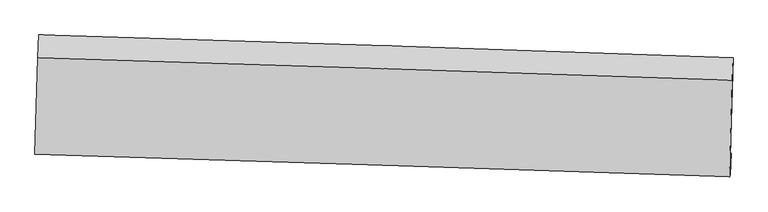
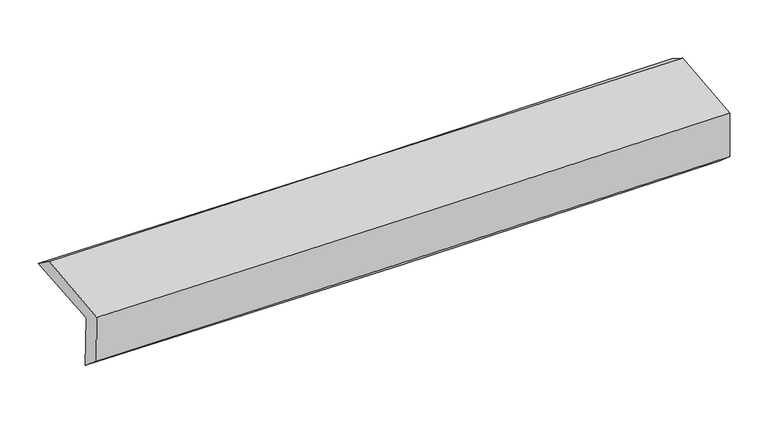
"""IFC4 building model written with IfcOpenShell, lengths in millimetres: proxy geometry."""

from ifc_helpers import new_model, si_unit, frame, origin, place, context, project, spatial, source, transform, mapped, element, save
from ifc_brep_helpers import plane_surface, spline_curve, spline_surface, advanced_brep


def generic_models_2ed6390f(model_context):
    return source(origin(), model_context, "Body", "AdvancedBrep", [
        advanced_brep(
        [(-2394.9771888, -1728.0738307, 1994.521171), (-2375.8204909, -1059.1069778, 2020.7510026), (2381.7758381, -1213.9916368, 2109.2409277), (2362.9352957, -1873.5286505, 2086.55821), (-2389.10111, -1706.1100479, 1594.5602413), (2368.3541354, -1870.0779982, 1680.4258504), (-2395.3678743, -1863.7085653, 1722.3469224), (2362.464263, -2015.5510921, 1807.8479974), (-2400.5997865, -1877.8935459, 2090.4216999), (2357.3133265, -2029.5165278, 2170.2259794), (-2381.8848486, -1215.6551691, 2135.414811), (2375.9901192, -1369.1424602, 2207.2671371)],
        [
            (0, 1),
            (1, 2, spline_curve(3, [(-2375.8204909, -1059.1069778, 2020.7510026), (-1579.306311742, -1082.991645835, 2022.728944866), (-782.929412409, -1107.899131002, 2031.14960734), (802.933758712, -1159.544277637, 2060.752871104), (1592.422302508, -1186.265012013, 2081.828850404), (2381.7758381, -1213.9916368, 2109.2409277)], [4, 2, 4], [0.0, 7.842865827253065, 15.620564170306434])),
            (2, 3),
            (3, 0, spline_curve(3, [(2362.9352957, -1873.5286505, 2086.55821), (1573.453412011, -1850.511205062, 2057.375430011), (783.874299625, -1826.934160245, 2035.117274459), (-802.094892431, -1778.458636957, 2004.321735729), (-1598.486608303, -1753.550741931, 1995.900878283), (-2394.9771888, -1728.0738307, 1994.521171)], [4, 2, 4], [0.0, 7.777698343053369, 15.620564170306434])),
            (4, 0),
            (3, 5),
            (5, 4, spline_curve(3, [(2368.3541354, -1870.0779982, 1680.4258504), (1579.096693773, -1837.83020022, 1654.567572712), (789.668056614, -1808.08880992, 1634.488606621), (-796.147477575, -1753.39064944, 1605.769484176), (-1592.53725563, -1728.476056336, 1597.226580489), (-2389.10111, -1706.1100479, 1594.5602413)], [4, 2, 4], [0.0, 7.777763435756324, 15.620694901108617])),
            (6, 4),
            (5, 7),
            (7, 6, spline_curve(3, [(2362.464263, -2015.5510921, 1807.8479974), (1572.892180879, -1989.715229298, 1791.549411153), (783.274421058, -1964.195220247, 1776.300356815), (-802.66885595, -1913.575729329, 1747.782337364), (-1598.995141977, -1888.481562956, 1734.53103343), (-2395.3678743, -1863.7085653, 1722.3469224)], [4, 2, 4], [0.0, 7.777614164639424, 15.620395108167639])),
            (8, 6),
            (7, 9),
            (9, 8, spline_curve(3, [(2357.3133265, -2029.5165278, 2170.2259794), (1567.748416641, -2003.661218986, 2153.422807294), (778.127566044, -1978.149589466, 2138.391187626), (-807.842530022, -1927.602812063, 2111.759950024), (-1604.192717304, -1902.573447796, 2100.190143169), (-2400.5997865, -1877.8935459, 2090.4216999)], [4, 2, 4], [0.0, 7.777484289097273, 15.620134268887064])),
            (10, 8),
            (9, 11),
            (11, 10, spline_curve(3, [(2375.9901192, -1369.1424602, 2207.2671371), (1586.366777006, -1342.486216661, 2197.827403917), (796.719740859, -1316.4183833, 2187.150008864), (-789.238183257, -1265.246051477, 2163.220060303), (-1585.549469393, -1240.151454325, 2149.946680208), (-2381.8848486, -1215.6551691, 2135.414811)], [4, 2, 4], [0.0, 7.777365400572058, 15.619895495697964])),
            (1, 10),
            (11, 2),
        ],
        [
            spline_surface(3, 3, [[(-2394.9771888, -1728.0738307, 1994.521171), (-1598.486608246, -1753.550741844, 1995.900878388), (-802.09489241, -1778.458637034, 2004.321735738), (783.874299604, -1826.934160168, 2035.117274451), (1573.453411967, -1850.511204943, 2057.375430061), (2362.9352957, -1873.5286505, 2086.55821)], [(-2388.591622829, -1505.084879717, 2003.264448202), (-1592.093176068, -1530.031043154, 2004.843567197), (-795.706399064, -1554.938801722, 2013.264359608), (790.227452649, -1604.470865994, 2043.662473371), (1579.776375454, -1629.095807317, 2065.526570155), (2369.215476504, -1653.682979295, 2094.119115906)], [(-2382.206056871, -1282.095928783, 2012.007725398), (-1585.699743902, -1306.511344515, 2013.786256001), (-789.317905749, -1331.418966358, 2022.206983421), (796.58060566, -1382.007571768, 2052.207672233), (1586.099338927, -1407.680409605, 2073.677710229), (2375.495657296, -1433.837308005, 2101.680021794)], [(-2375.8204909, -1059.1069778, 2020.7510026), (-1579.306311724, -1082.991645825, 2022.72894481), (-782.929412402, -1107.899131047, 2031.149607291), (802.933758705, -1159.544277593, 2060.752871152), (1592.422302414, -1186.265011979, 2081.828850322), (2381.7758381, -1213.9916368, 2109.2409277)]], [4, 4], [4, 2, 4], [0.0, 2.197424147663706], [0.0, 7.842865827253065, 15.620564170306434]),
            spline_surface(3, 3, [[(-2389.10111, -1706.1100479, 1594.5602413), (-1592.53725567, -1728.476056273, 1597.226580598), (-796.147477636, -1753.390649389, 1605.769484207), (789.668056675, -1808.088809971, 1634.488606589), (1579.096693758, -1837.830200283, 1654.567572683), (2368.3541354, -1870.0779982, 1680.4258504)], [(-2391.059802938, -1713.431308846, 1727.880551182), (-1594.5203732, -1736.83428481, 1730.118013177), (-798.129949233, -1761.746645247, 1738.620234713), (787.736804312, -1814.370593346, 1768.031495871), (1577.215599799, -1842.057201831, 1788.836858479), (2366.547855471, -1871.228215628, 1815.803303603)], [(-2393.018495862, -1720.752569754, 1861.200861118), (-1596.503490716, -1745.192513307, 1863.009445809), (-800.112420813, -1770.102641176, 1871.470985233), (785.805551967, -1820.652376793, 1901.574385168), (1575.334505926, -1846.284203395, 1923.106144265), (2364.741575629, -1872.378433072, 1951.180756797)], [(-2394.9771888, -1728.0738307, 1994.521171), (-1598.486608246, -1753.550741844, 1995.900878388), (-802.09489241, -1778.458637034, 2004.321735738), (783.874299604, -1826.934160168, 2035.117274451), (1573.453411967, -1850.511204943, 2057.375430061), (2362.9352957, -1873.5286505, 2086.55821)]], [4, 4], [4, 2, 4], [0.0, 1.3130877148393532], [0.0, 7.842931465352294, 15.620694901108617]),
            spline_surface(3, 3, [[(-2395.3678743, -1863.7085653, 1722.3469224), (-1598.995142007, -1888.481562974, 1734.531033344), (-802.668855992, -1913.575729438, 1747.782337301), (783.274421101, -1964.195220139, 1776.300356877), (1572.892180896, -1989.715229271, 1791.549411239), (2362.464263, -2015.5510921, 1807.8479974)], [(-2393.278952867, -1811.175726145, 1679.751362053), (-1596.842513228, -1835.146394052, 1688.762882448), (-800.495063183, -1860.180702773, 1700.444719614), (785.405632982, -1912.159750102, 1729.029773458), (1574.96035188, -1939.086886254, 1745.888798398), (2364.42755383, -1967.060060779, 1765.373948412)], [(-2391.190031433, -1758.642887055, 1637.155801647), (-1594.689884449, -1781.811225195, 1642.994731494), (-798.321270445, -1806.785676053, 1653.107101895), (787.536844793, -1860.124280008, 1681.759190008), (1577.028522775, -1888.4585433, 1700.228185523), (2366.39084457, -1918.569029521, 1722.899899388)], [(-2389.10111, -1706.1100479, 1594.5602413), (-1592.53725567, -1728.476056273, 1597.226580598), (-796.147477636, -1753.390649389, 1605.769484207), (789.668056675, -1808.088809971, 1634.488606589), (1579.096693758, -1837.830200283, 1654.567572683), (2368.3541354, -1870.0779982, 1680.4258504)]], [4, 4], [4, 2, 4], [0.0, 0.6974883319439747], [0.0, 7.842780943528215, 15.620395108167639]),
            spline_surface(3, 3, [[(-2400.5997865, -1877.8935459, 2090.4216999), (-1604.192717268, -1902.573447821, 2100.190143208), (-807.842530144, -1927.602812108, 2111.759949964), (778.127566165, -1978.149589422, 2138.391187686), (1567.748416713, -2003.661219084, 2153.422807387), (2357.3133265, -2029.5165278, 2170.2259794)], [(-2398.855815752, -1873.165219054, 1967.730107398), (-1602.460192166, -1897.876152893, 1978.303773252), (-806.117972125, -1922.927117866, 1990.434079057), (779.843184446, -1973.498132976, 2017.694244063), (1569.46300477, -1999.012555827, 2032.798341988), (2359.030305328, -2024.86138258, 2049.433318717)], [(-2397.111845048, -1868.436892146, 1845.038514902), (-1600.727667108, -1893.178857903, 1856.417403301), (-804.393414012, -1918.251423679, 1869.108208208), (781.55880282, -1968.846676585, 1896.997300499), (1571.17759284, -1994.363892529, 1912.173876638), (2360.747284172, -2020.20623732, 1928.640658083)], [(-2395.3678743, -1863.7085653, 1722.3469224), (-1598.995142007, -1888.481562974, 1734.531033344), (-802.668855992, -1913.575729438, 1747.782337301), (783.274421101, -1964.195220139, 1776.300356877), (1572.892180896, -1989.715229271, 1791.549411239), (2362.464263, -2015.5510921, 1807.8479974)]], [4, 4], [4, 2, 4], [0.0, 1.1920875099658341], [0.0, 7.842649979789791, 15.620134268887064]),
            spline_surface(3, 3, [[(-2381.8848486, -1215.6551691, 2135.414811), (-1585.549469453, -1240.151454264, 2149.946680294), (-789.238183131, -1265.246051394, 2163.220060433), (796.719740734, -1316.418383382, 2187.150008736), (1586.366777047, -1342.486216594, 2197.827404006), (2375.9901192, -1369.1424602, 2207.2671371)], [(-2388.123161249, -1436.401294691, 2120.417107282), (-1591.763885407, -1460.958785441, 2133.361167915), (-795.439632135, -1486.031638327, 2146.0666903), (790.522349212, -1536.995452091, 2170.89706841), (1580.160656935, -1562.877884077, 2183.025871825), (2369.764521633, -1589.267149387, 2194.920084558)], [(-2394.361473851, -1657.147420309, 2105.419403618), (-1597.978301314, -1681.766116645, 2116.775655588), (-801.64108114, -1706.817225175, 2128.913320096), (784.324957688, -1757.572520713, 2154.644128012), (1573.954536825, -1783.269551601, 2168.224339569), (2363.538924067, -1809.391838613, 2182.573031942)], [(-2400.5997865, -1877.8935459, 2090.4216999), (-1604.192717268, -1902.573447821, 2100.190143208), (-807.842530144, -1927.602812108, 2111.759949964), (778.127566165, -1978.149589422, 2138.391187686), (1567.748416713, -2003.661219084, 2153.422807387), (2357.3133265, -2029.5165278, 2170.2259794)]], [4, 4], [4, 2, 4], [0.0, 2.179138807676407], [0.0, 7.842530095125906, 15.619895495697964]),
            spline_surface(3, 3, [[(-2375.8204909, -1059.1069778, 2020.7510026), (-1579.306311724, -1082.991645825, 2022.72894481), (-782.929412402, -1107.899131047, 2031.149607291), (802.933758705, -1159.544277593, 2060.752871152), (1592.422302414, -1186.265011979, 2081.828850322), (2381.7758381, -1213.9916368, 2109.2409277)], [(-2377.841943465, -1111.289708248, 2058.972272083), (-1581.387364299, -1135.378248652, 2065.134856654), (-785.032335977, -1160.348104473, 2075.173091643), (800.862419383, -1211.835646167, 2102.885250318), (1590.403793958, -1238.338746848, 2120.495034854), (2379.847265133, -1265.708577931, 2141.916330803)], [(-2379.863396035, -1163.472438652, 2097.193541517), (-1583.468416879, -1187.764851437, 2107.54076845), (-787.135259556, -1212.797077967, 2119.196576081), (798.791080056, -1264.127014808, 2145.017629571), (1588.385285502, -1290.412481724, 2159.161219475), (2377.918692167, -1317.425519069, 2174.591733997)], [(-2381.8848486, -1215.6551691, 2135.414811), (-1585.549469453, -1240.151454264, 2149.946680294), (-789.238183131, -1265.246051394, 2163.220060433), (796.719740734, -1316.418383382, 2187.150008736), (1586.366777047, -1342.486216594, 2197.827404006), (2375.9901192, -1369.1424602, 2207.2671371)]], [4, 4], [4, 2, 4], [0.0, 0.6678014414185711], [0.0, 7.842516302156594, 15.619868024367078]),
            plane_surface(frame((2368.1388296, -1728.6347276, 2010.261017), z_axis=(0.9994936473339754, -0.02900201919013324, 0.013089378209918017), x_axis=(0.01420228816587825, 0.038505841055334826, -0.9991574426562987))),
            plane_surface(frame((-2389.6252165, -1575.0913561, 1926.3359747), z_axis=(-0.9994898573548988, 0.029134660216397722, -0.013084212576966361), x_axis=(-0.028602549610931376, -0.9988233716880285, -0.03916332883595117))),
        ],
        [
            (0, [[1, 2, 3, 4]]),
            (1, [[5, -4, 6, 7]]),
            (2, [[8, -7, 9, 10]]),
            (3, [[11, -10, 12, 13]]),
            (4, [[14, -13, 15, 16]]),
            (5, [[17, -16, 18, -2]]),
            (6, [[-12, -9, -6, -3, -18, -15]]),
            (7, [[-1, -5, -8, -11, -14, -17]]),
        ],
    ),
    ])


if __name__ == "__main__":
    model = new_model("IFC4")
    model_context = context("Model", 3, world=origin())
    ifc_project = project(units=[si_unit("LENGTHUNIT", "METRE", prefix="MILLI")], contexts=[model_context])
    site = spatial("IfcSite", under=ifc_project)
    building = spatial("IfcBuilding", under=site)
    placement = place(None, origin())
    generic_models_shape = generic_models_2ed6390f(model_context)
    element("IfcBuildingElementProxy", 1, Name="Generic Models", at=placement, inside=building, context=model_context, shape_type="MappedRepresentation", body=[
        mapped(generic_models_shape, transform((0.0, 0.0, 0.0), x_axis=(1.0, 0.0, 0.0), y_axis=(0.0, 1.0, 0.0), z_axis=(0.0, 0.0, 1.0))),
    ])
    save(model, "model.ifc")
